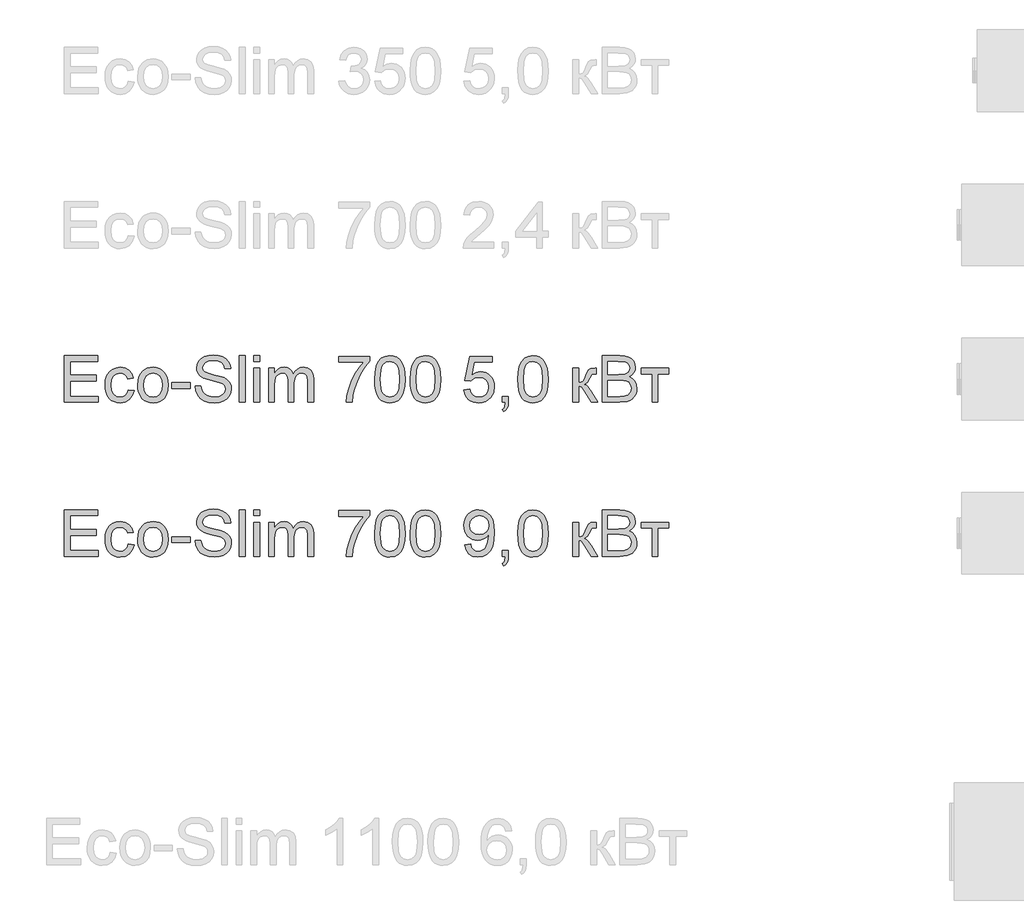
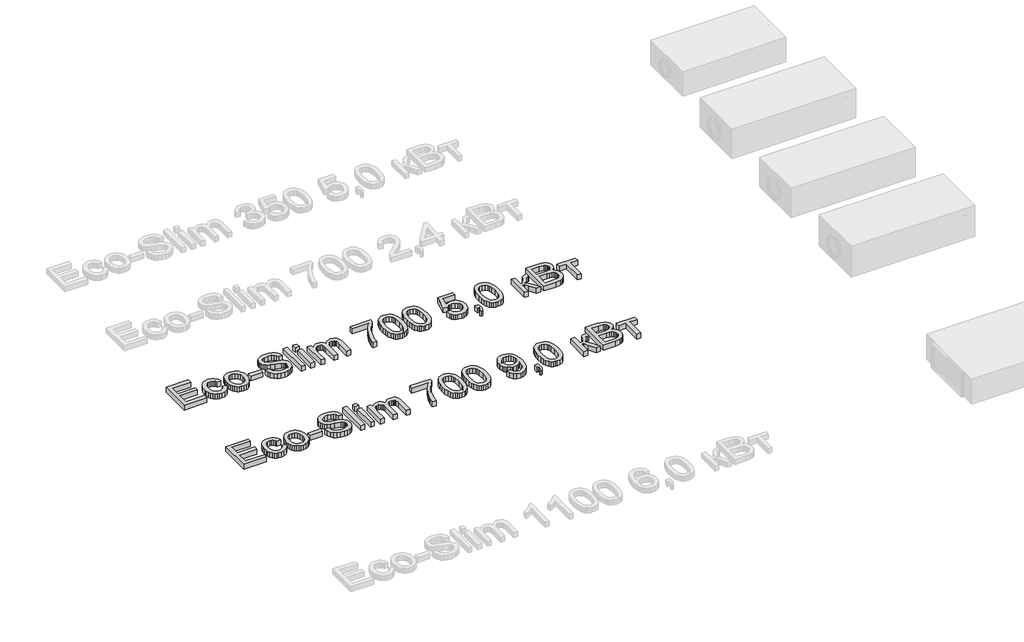
# One storey, part 39 of 74: 2 proxies.
"""IFC4 building model written with IfcOpenShell, lengths in millimetres."""

import ifcopenshell
import ifcopenshell.guid

model = None  # the IFC model being written
_history = None  # IfcOwnerHistory: only IFC2X3 demands one
_inside = {}  # id of a spatial element -> (the spatial element, [elements in it])
_under = {}  # id of a project, library or spatial element -> (it, [spatial elements below it])
_declared = {}  # id of a project -> (the project, [libraries it declares])
_typed = {}  # id of a type object -> (the type object, [elements of that type])
_made_of = {}  # id of a material, layer set ... -> (it, [elements and type objects made of it])


def new_model(schema):
    """Start an empty IFC model of exactly this schema.

    Asked for "IFC4X3", IfcOpenShell would pick the latest addendum, in which some entities
    have other attributes; the version numbers below select the first issue.
    IFC2X3 requires an IfcOwnerHistory on every rooted entity: one is made here for all.
    """
    global model, _history
    if schema == "IFC4X3":
        model = ifcopenshell.file(schema_version=(4, 3, 0, 0))
    else:
        model = ifcopenshell.file(schema=schema)
    _inside.clear()
    _under.clear()
    _declared.clear()
    _typed.clear()
    _made_of.clear()
    _history = None
    if model.schema == "IFC2X3":
        org = make("IfcOrganization", Name="unknown")
        user = make(
            "IfcPersonAndOrganization",
            ThePerson=make("IfcPerson", FamilyName="unknown"),
            TheOrganization=org,
        )
        app = make(
            "IfcApplication",
            ApplicationDeveloper=org,
            Version="unknown",
            ApplicationFullName="unknown",
            ApplicationIdentifier="unknown",
        )
        _history = make(
            "IfcOwnerHistory",
            OwningUser=user,
            OwningApplication=app,
            ChangeAction="ADDED",
            CreationDate=0,
        )
    return model


def make(cls, **values):
    """One entity of the class cls with the attributes given. An attribute that is None is left unset."""
    return model.create_entity(
        cls, **{name: value for name, value in values.items() if value is not None}
    )


def rooted(cls, **values):
    """An entity with a GlobalId (a new one), such as an element, a storey or a relation."""
    return make(cls, GlobalId=ifcopenshell.guid.new(), OwnerHistory=_history, **values)


def si_unit(unit_type, name, prefix=None):
    """IfcSIUnit, for example si_unit("LENGTHUNIT", "METRE", prefix="MILLI")."""
    return make("IfcSIUnit", UnitType=unit_type, Prefix=prefix, Name=name)


def assignment(units):
    """IfcUnitAssignment: the units of a project."""
    return None if units is None else make("IfcUnitAssignment", Units=units)


def point(xyz):
    """IfcCartesianPoint."""
    return None if xyz is None else make("IfcCartesianPoint", Coordinates=xyz)


def direction(xyz):
    """IfcDirection."""
    return None if xyz is None else make("IfcDirection", DirectionRatios=xyz)


def frame(location, z_axis=None, x_axis=None):
    """IfcAxis2Placement3D, a coordinate frame: its origin and axes. An axis left out is left unset."""
    return make(
        "IfcAxis2Placement3D",
        Location=point(location),
        Axis=direction(z_axis),
        RefDirection=direction(x_axis),
    )


def origin():
    """The frame at (0, 0, 0) with its axes left unset."""
    return frame((0.0, 0.0, 0.0))


def origin_with_axes():
    """The frame at (0, 0, 0) with the z axis (0, 0, 1) and the x axis (1, 0, 0) written out."""
    return frame((0.0, 0.0, 0.0), z_axis=(0.0, 0.0, 1.0), x_axis=(1.0, 0.0, 0.0))


def place(relative_to, where):
    """IfcLocalPlacement: puts the frame where relative to a parent placement (None: the world)."""
    return make(
        "IfcLocalPlacement", PlacementRelTo=relative_to, RelativePlacement=where
    )


def context(
    kind, dimensions, precision=None, world=None, true_north=None, identifier=None
):
    """IfcGeometricRepresentationContext, for example the 3D "Model" context."""
    return make(
        "IfcGeometricRepresentationContext",
        ContextIdentifier=identifier,
        ContextType=kind,
        CoordinateSpaceDimension=dimensions,
        Precision=precision,
        WorldCoordinateSystem=world,
        TrueNorth=true_north,
    )


def project(units=None, contexts=None):
    """IfcProject with its units and contexts."""
    return rooted(
        "IfcProject",
        Name="project",
        RepresentationContexts=contexts,
        UnitsInContext=assignment(units),
    )


def spatial(cls, under=None, at=None, **own):
    """A site, building, storey or space (cls), placed at a placement, below another one or the project."""
    s = rooted(cls, ObjectPlacement=at, **own)
    if under is not None:
        _under.setdefault(under.id(), (under, []))[1].append(s)
    return s


def polyline(points):
    """IfcPolyline through the points."""
    return make("IfcPolyline", Points=[point(p) for p in points])


def outline(outer, holes=None, kind="AREA"):
    """IfcArbitraryClosedProfileDef: a profile drawn as a closed curve; with holes, ...WithVoids."""
    if holes is None:
        return make("IfcArbitraryClosedProfileDef", ProfileType=kind, OuterCurve=outer)
    return make(
        "IfcArbitraryProfileDefWithVoids",
        ProfileType=kind,
        OuterCurve=outer,
        InnerCurves=holes,
    )


def extrude(swept, where, along, depth):
    """IfcExtrudedAreaSolid: the profile swept, set in the frame where, extruded along a direction by depth."""
    return make(
        "IfcExtrudedAreaSolid",
        SweptArea=swept,
        Position=where,
        ExtrudedDirection=direction(along),
        Depth=depth,
    )


def shape(context_of_items, identifier, shape_type, items):
    """IfcShapeRepresentation: the items that make up one representation, for example the "Body"."""
    return make(
        "IfcShapeRepresentation",
        ContextOfItems=context_of_items,
        RepresentationIdentifier=identifier,
        RepresentationType=shape_type,
        Items=items,
    )


def made_of(thing, what):
    """Note that an element or type object is made of a material, layer set ...; save() writes the relation."""
    if what is not None:
        _made_of.setdefault(what.id(), (what, []))[1].append(thing)
    return thing


def element(
    cls,
    number,
    at=None,
    inside=None,
    cuts=None,
    type_object=None,
    material=None,
    context=None,
    identifier="Body",
    shape_type=None,
    held_by="IfcProductDefinitionShape",
    body=None,
    shapes=None,
    **own,
):
    """One element of the class cls, such as IfcWall. Its Tag is "e" and its number.

    at: its placement. inside: the storey or other place that contains it. cuts: it is an
    opening in that element (IfcRelVoidsElement). A single representation is given by context,
    identifier, shape_type and body (its items); several are given by shapes. held_by: the class
    of the entity that holds the representations. save() writes the other relations.
    """
    e = rooted(cls, Tag="e%d" % number, ObjectPlacement=at, **own)
    if body is not None:
        shapes = [shape(context, identifier, shape_type, body)]
    if shapes is not None:
        e.Representation = make(held_by, Representations=shapes)
    if inside is not None:
        _inside.setdefault(inside.id(), (inside, []))[1].append(e)
    if cuts is not None:
        rooted(
            "IfcRelVoidsElement", RelatingBuildingElement=cuts, RelatedOpeningElement=e
        )
    if type_object is not None:
        _typed.setdefault(type_object.id(), (type_object, []))[1].append(e)
    return made_of(e, material)


def aggregate(whole, parts):
    """IfcRelAggregates: a whole, such as a stair, and the parts it consists of."""
    return rooted("IfcRelAggregates", RelatingObject=whole, RelatedObjects=parts)


def save(model, path):
    """Write the relations noted so far, then the file.

    IfcRelAggregates (storeys below a building ...), IfcRelContainedInSpatialStructure (elements
    in a storey), IfcRelDefinesByType, IfcRelAssociatesMaterial and IfcRelDeclares: one each for
    every whole, place, type object, material and project.
    """
    for whole, parts in _under.values():
        aggregate(whole, parts)
    for where, things in _inside.values():
        rooted(
            "IfcRelContainedInSpatialStructure",
            RelatedElements=things,
            RelatingStructure=where,
        )
    for kind, things in _typed.values():
        rooted("IfcRelDefinesByType", RelatedObjects=things, RelatingType=kind)
    for what, things in _made_of.values():
        rooted("IfcRelAssociatesMaterial", RelatedObjects=things, RelatingMaterial=what)
    for by, libraries in _declared.values():
        rooted("IfcRelDeclares", RelatingContext=by, RelatedDefinitions=libraries)
    model.write(path)


model = new_model("IFC4")

# Units and contexts
model_context = context("Model", 3, world=origin())
ifc_project = project(units=[si_unit("LENGTHUNIT", "METRE", prefix="MILLI")], contexts=[model_context])

# Site, building, storey
site = spatial("IfcSite", under=ifc_project)
building = spatial("IfcBuilding", under=site)
storey = spatial("IfcBuildingStorey", under=building, Elevation=0.0)

# Proxies
placement = place(None, origin())
element("IfcBuildingElementProxy", 1, Name="Generic Models", at=placement, inside=storey, context=model_context, shape_type="SweptSolid", body=[
    extrude(outline(polyline([(23043.6869869, -7906.2904473), (23043.6869869, -7604.9215169), (23260.2959057, -7604.9215169), (23260.2959057, -7642.5926332), (23081.3581032, -7642.5926332), (23081.3581032, -7732.0615344), (23250.8781266, -7732.0615344), (23250.8781266, -7769.7326507), (23081.3581032, -7769.7326507), (23081.3581032, -7868.619331), (23265.0047952, -7868.619331), (23265.0047952, -7906.2904473), (23043.6869869, -7906.2904473)])), origin_with_axes(), (0.0, 0.0, 1.0), 50.0),
    extrude(outline(polyline([(23458.0692663, -7826.2393252), (23495.7403826, -7830.9482147), (23485.2373516, -7864.4530674), (23465.5004826, -7889.7725458), (23438.3875796, -7905.6926391), (23405.7564466, -7910.9993369), (23384.6285237, -7909.1484306), (23365.6849003, -7903.5957117), (23348.9255761, -7894.3411803), (23334.3505513, -7881.3848363), (23322.5530356, -7864.9704015), (23314.1262386, -7845.3415978), (23309.0701605, -7822.4984252), (23307.3848011, -7796.4408836), (23310.2634777, -7762.9176368), (23318.8995075, -7733.8641562), (23333.4308463, -7710.402482), (23353.9954499, -7693.6546541), (23378.5975583, -7683.6114757), (23405.2414118, -7680.2637495), (23437.0724014, -7684.8622744), (23462.5206384, -7698.6578493), (23480.7767824, -7720.91471), (23491.0314931, -7750.8970926), (23453.3603768, -7755.6059821), (23446.5269687, -7739.170854), (23435.885982, -7727.3894331), (23422.0260278, -7720.2985076), (23405.5357174, -7717.9348658), (23381.1911264, -7722.588573), (23361.8681246, -7736.5496948), (23349.2589692, -7760.5723891), (23345.0559174, -7795.410814), (23349.1669987, -7830.7182885), (23361.5002426, -7854.8237562), (23380.4737565, -7868.7021045), (23404.5056478, -7873.3282206), (23424.0125906, -7870.4403469), (23440.0062603, -7861.7767259), (23451.6405284, -7847.1166284), (23458.0692663, -7826.2393252)])), origin_with_axes(), (0.0, 0.0, 1.0), 50.0),
    extrude(outline(polyline([(23519.2848303, -7795.6315432), (23521.3219768, -7766.9689372), (23527.4334165, -7742.2702598), (23537.6191492, -7721.5355108), (23551.8791751, -7704.7646904), (23566.2357699, -7694.0455287), (23582.0822869, -7686.3889847), (23599.4187259, -7681.7950583), (23618.245087, -7680.2637495), (23639.0281205, -7682.1284514), (23657.8199926, -7687.722557), (23674.6207035, -7697.0460663), (23689.4302531, -7710.0989793), (23701.5174759, -7726.4398377), (23710.1512064, -7745.627183), (23715.3314448, -7767.6610152), (23717.0581909, -7792.5413344), (23714.0047703, -7830.5987268), (23704.8445087, -7859.569434), (23689.8441203, -7881.2652746), (23669.2703197, -7897.4980677), (23644.8337582, -7907.6240196), (23618.245087, -7910.9993369), (23597.1585509, -7909.1415328), (23578.1919348, -7903.5681206), (23561.3452387, -7894.2791002), (23546.6184625, -7881.2744717), (23534.6599984, -7864.7749642), (23526.1182384, -7845.0013069), (23520.9931823, -7821.9534999), (23519.2848303, -7795.6315432)]), holes=[polyline([(23556.9559466, -7795.5579668), (23561.3153482, -7829.6514307), (23574.3935532, -7853.9408394), (23594.0752399, -7868.4813753), (23618.245087, -7873.3282206), (23642.3045695, -7868.4537841), (23661.949468, -7853.8304748), (23675.027673, -7829.2191694), (23679.3870746, -7794.3807444), (23675.0000818, -7761.2805619), (23661.8391034, -7737.322247), (23642.1666137, -7722.7817111), (23618.245087, -7717.9348658), (23594.0752399, -7722.763317), (23574.3935532, -7737.2486706), (23561.3153482, -7761.482897), (23556.9559466, -7795.5579668)])]), origin_with_axes(), (0.0, 0.0, 1.0), 50.0),
    extrude(outline(polyline([(23740.6026386, -7816.8215461), (23740.6026386, -7779.1504298), (23858.324877, -7779.1504298), (23858.324877, -7816.8215461), (23740.6026386, -7816.8215461)])), origin_with_axes(), (0.0, 0.0, 1.0), 50.0),
    extrude(outline(polyline([(23891.2871038, -7802.6948775), (23928.9582201, -7802.6948775), (23933.2808336, -7823.5997719), (23941.098326, -7840.402782), (23953.2936141, -7853.7385043), (23970.7496148, -7864.2415353), (23992.0867705, -7871.0565493), (24015.9255238, -7873.3282206), (24036.9131916, -7871.6083722), (24055.2888973, -7866.4488273), (24070.178921, -7858.281847), (24080.7095431, -7847.5396927), (24086.9727341, -7835.2064488), (24089.0604644, -7822.2661996), (24087.4969659, -7809.6570443), (24082.8064705, -7798.7585402), (24073.2783268, -7789.4603227), (24057.2018836, -7781.6520274), (24002.3506782, -7767.2678414), (23966.3442279, -7757.7488947), (23943.3056179, -7748.6898006), (23924.5528332, -7736.0162659), (23911.2630962, -7720.6571926), (23903.3444362, -7702.9436745), (23900.7048829, -7683.2068055), (23903.9698356, -7661.1430828), (23913.7646937, -7640.5692822), (23929.8319399, -7623.1316757), (23951.9140566, -7610.476535), (23978.4199544, -7602.7786043), (24007.7585435, -7600.2126274), (24039.5435479, -7602.8981659), (24067.3554267, -7610.9547816), (24090.2008986, -7624.2169275), (24107.0866822, -7642.5190568), (24117.7736541, -7664.7207352), (24122.0226912, -7689.6815286), (24084.3515749, -7689.6815286), (24077.4353934, -7667.2039387), (24063.0144192, -7650.9803427), (24040.481647, -7641.1578934), (24009.2300715, -7637.8837437), (23977.242732, -7641.1211052), (23955.298571, -7650.8331899), (23942.6066421, -7665.1254054), (23938.3759992, -7682.1031595), (23941.3742375, -7696.579316), (23950.3689522, -7708.2227811), (23971.6325316, -7718.6338416), (24011.8788218, -7729.2656313), (24053.4126991, -7739.363992), (24078.5390394, -7748.1747658), (24100.0141508, -7761.8415819), (24114.9961451, -7778.7089714), (24123.7977218, -7798.5929933), (24126.7315807, -7821.3097065), (24123.3562634, -7844.5322574), (24113.2303115, -7866.3752509), (24096.7675922, -7885.1740208), (24074.3819728, -7899.2639012), (24047.4622078, -7908.065478), (24017.3970518, -7910.9993369), (23980.4892906, -7907.8355517), (23950.1114348, -7898.3441962), (23925.9139966, -7882.4884823), (23907.547488, -7860.2316215), (23895.7568701, -7833.1187185), (23891.2871038, -7802.6948775)])), origin_with_axes(), (0.0, 0.0, 1.0), 50.0),
    extrude(outline(polyline([(24178.5293657, -7906.2904473), (24178.5293657, -7604.9215169), (24216.200482, -7604.9215169), (24216.200482, -7906.2904473), (24178.5293657, -7906.2904473)])), origin_with_axes(), (0.0, 0.0, 1.0), 50.0),
    extrude(outline(polyline([(24272.7071564, -7642.5926332), (24272.7071564, -7604.9215169), (24310.3782727, -7604.9215169), (24310.3782727, -7642.5926332), (24272.7071564, -7642.5926332)])), origin_with_axes(), (0.0, 0.0, 1.0), 50.0),
    extrude(outline(polyline([(24272.7071564, -7906.2904473), (24272.7071564, -7684.972639), (24310.3782727, -7684.972639), (24310.3782727, -7906.2904473), (24272.7071564, -7906.2904473)])), origin_with_axes(), (0.0, 0.0, 1.0), 50.0),
    extrude(outline(polyline([(24366.8849472, -7906.2904473), (24366.8849472, -7684.972639), (24404.5560635, -7684.972639), (24404.5560635, -7721.3929566), (24415.8868289, -7704.6635228), (24430.4549559, -7691.5577268), (24447.7638038, -7683.0872438), (24467.3167319, -7680.2637495), (24488.2676115, -7683.1424261), (24505.0614246, -7691.778456), (24517.6062006, -7705.6016219), (24525.8099691, -7724.0417069), (24539.5411646, -7704.8888506), (24555.2037405, -7691.2082389), (24572.7976969, -7682.9998718), (24592.3230338, -7680.2637495), (24620.6407504, -7684.8162892), (24641.582433, -7698.4739083), (24654.5226822, -7721.6044887), (24658.8360986, -7754.5759125), (24658.8360986, -7906.2904473), (24621.1649822, -7906.2904473), (24621.1649822, -7770.7627203), (24617.6701033, -7739.3088097), (24612.7588787, -7730.6359917), (24605.0149627, -7723.8209777), (24595.0545576, -7719.4063938), (24583.4938659, -7717.9348658), (24563.0856123, -7721.7056563), (24546.448149, -7733.0180276), (24535.384098, -7752.6445321), (24531.696081, -7781.3577218), (24531.696081, -7906.2904473), (24494.0249647, -7906.2904473), (24494.0249647, -7766.5688656), (24491.8452639, -7745.2684981), (24485.3061614, -7730.0749717), (24473.800652, -7720.9698923), (24456.7217304, -7717.9348658), (24442.2087857, -7719.9582168), (24428.8362752, -7726.0282697), (24417.7998153, -7735.9978718), (24410.2950226, -7749.7198702), (24405.9908033, -7768.7577634), (24404.5560635, -7794.67505), (24404.5560635, -7906.2904473), (24366.8849472, -7906.2904473)])), origin_with_axes(), (0.0, 0.0, 1.0), 50.0),
    extrude(outline(polyline([(24823.6472324, -7647.3015227), (24823.6472324, -7609.6304064), (25021.420593, -7609.6304064), (25021.420593, -7640.0910356), (24993.2316351, -7675.7663921), (24965.3185887, -7721.1354392), (24940.6980862, -7772.0595044), (24922.3867599, -7824.3999152), (24913.4104392, -7863.5609536), (24908.4072441, -7906.2904473), (24870.7361278, -7906.2904473), (24874.8104209, -7867.4605027), (24885.708925, -7821.3097065), (24903.1373345, -7772.3905981), (24926.8013438, -7725.2557175), (24954.4292817, -7682.6457854), (24983.7494767, -7647.3015227), (24823.6472324, -7647.3015227)])), origin_with_axes(), (0.0, 0.0, 1.0), 50.0),
    extrude(outline(polyline([(25054.3828198, -7758.0340033), (25057.1511318, -7709.7954767), (25065.4560678, -7671.324217), (25079.2148544, -7642.0316132), (25098.3447182, -7621.3290539), (25122.9836148, -7609.0234011), (25153.2695001, -7604.9215169), (25176.482854, -7607.3495381), (25197.2681867, -7614.6336016), (25214.650611, -7626.4885989), (25227.6552395, -7642.6294214), (25237.4776888, -7662.9181134), (25245.3135753, -7687.2167192), (25250.4455291, -7718.0728216), (25252.1561804, -7758.0340033), (25249.4154595, -7805.9966184), (25241.1932969, -7844.3759076), (25227.5172837, -7873.6961026), (25208.4150111, -7894.4814353), (25183.7209322, -7906.8698615), (25153.2695001, -7910.9993369), (25132.5209555, -7909.2059122), (25114.1268558, -7903.825638), (25098.0872008, -7894.8585143), (25084.4019906, -7882.3045413), (25071.2686033, -7859.6108207), (25061.8876125, -7831.3344908), (25056.2590179, -7797.4755517), (25054.3828198, -7758.0340033)]), holes=[polyline([(25092.0539361, -7757.9604269), (25096.46852, -7817.2170193), (25101.9867499, -7837.4850179), (25109.7122718, -7851.5128183), (25129.4307468, -7867.87437), (25153.2695001, -7873.3282206), (25177.1082534, -7867.8559759), (25196.8267283, -7851.4392419), (25204.5522502, -7837.3884489), (25210.0704801, -7817.1250488), (25214.4850641, -7757.9604269), (25210.2176329, -7700.0374067), (25204.883344, -7679.8360867), (25197.4153395, -7665.4748933), (25177.7336528, -7648.3131982), (25152.8280417, -7642.5926332), (25129.2468058, -7647.6326165), (25110.300883, -7662.7525665), (25102.3178437, -7678.3875513), (25096.6156728, -7699.4671897), (25092.0539361, -7757.9604269)])]), origin_with_axes(), (0.0, 0.0, 1.0), 50.0),
    extrude(outline(polyline([(25285.1184071, -7758.0340033), (25287.8867192, -7709.7954767), (25296.1916552, -7671.324217), (25309.9504418, -7642.0316132), (25329.0803056, -7621.3290539), (25353.7192022, -7609.0234011), (25384.0050874, -7604.9215169), (25407.2184413, -7607.3495381), (25428.0037741, -7614.6336016), (25445.3861983, -7626.4885989), (25458.3908269, -7642.6294214), (25468.2132761, -7662.9181134), (25476.0491626, -7687.2167192), (25481.1811165, -7718.0728216), (25482.8917678, -7758.0340033), (25480.1510469, -7805.9966184), (25471.9288843, -7844.3759076), (25458.2528711, -7873.6961026), (25439.1505985, -7894.4814353), (25414.4565196, -7906.8698615), (25384.0050874, -7910.9993369), (25363.2565429, -7909.2059122), (25344.8624432, -7903.825638), (25328.8227882, -7894.8585143), (25315.1375779, -7882.3045413), (25302.0041907, -7859.6108207), (25292.6231998, -7831.3344908), (25286.9946053, -7797.4755517), (25285.1184071, -7758.0340033)]), holes=[polyline([(25322.7895234, -7757.9604269), (25327.2041074, -7817.2170193), (25332.7223373, -7837.4850179), (25340.4478592, -7851.5128183), (25360.1663342, -7867.87437), (25384.0050874, -7873.3282206), (25407.8438407, -7867.8559759), (25427.5623157, -7851.4392419), (25435.2878376, -7837.3884489), (25440.8060675, -7817.1250488), (25445.2206514, -7757.9604269), (25440.9532203, -7700.0374067), (25435.6189314, -7679.8360867), (25428.1509269, -7665.4748933), (25408.4692401, -7648.3131982), (25383.5636291, -7642.5926332), (25359.9823932, -7647.6326165), (25341.0364704, -7662.7525665), (25333.0534311, -7678.3875513), (25327.3512602, -7699.4671897), (25322.7895234, -7757.9604269)])]), origin_with_axes(), (0.0, 0.0, 1.0), 50.0),
    extrude(outline(polyline([(25633.576233, -7826.2393252), (25671.2473493, -7821.5304357), (25678.1635308, -7844.1459813), (25690.2300602, -7860.3419861), (25707.3917553, -7870.081662), (25729.5934337, -7873.3282206), (25756.5959722, -7868.8124691), (25776.8294819, -7855.2652146), (25789.4662284, -7834.2499556), (25793.6784773, -7807.3301906), (25789.7329429, -7781.9831212), (25777.8963397, -7762.59574), (25758.0766972, -7750.2900873), (25730.1820449, -7746.188203), (25711.9075068, -7747.8252779), (25697.1094535, -7752.7365026), (25675.9562388, -7769.7326507), (25638.2851225, -7765.0237612), (25671.2473493, -7609.6304064), (25817.222925, -7609.6304064), (25817.222925, -7647.3015227), (25701.7079785, -7647.3015227), (25685.5947471, -7730.2957008), (25712.505315, -7713.9617403), (25740.70347, -7708.5170867), (25759.0492852, -7710.2047454), (25775.9005799, -7715.2677213), (25791.2573539, -7723.7060146), (25805.1196073, -7735.5196252), (25816.5952263, -7749.9865846), (25824.792097, -7766.3849246), (25829.7102194, -7784.714645), (25831.3495936, -7804.9757459), (25825.4450876, -7842.6468622), (25818.064455, -7859.4406753), (25807.7315695, -7874.873325), (25792.0781906, -7890.6784552), (25773.8128495, -7901.9678339), (25752.9355463, -7908.7414611), (25729.4462809, -7910.9993369), (25692.4465493, -7905.1959984), (25676.7678785, -7897.9418253), (25662.9700044, -7887.785983), (25651.4897869, -7875.2343092), (25642.7640858, -7860.7926416), (25633.576233, -7826.2393252)])), origin_with_axes(), (0.0, 0.0, 1.0), 50.0),
    extrude(outline(polyline([(25883.1473785, -7906.2904473), (25883.1473785, -7868.619331), (25920.8184948, -7868.619331), (25920.8184948, -7906.2904473), (25919.1262376, -7927.8391352), (25914.0494661, -7944.8076922), (25905.2938746, -7957.8215178), (25892.5651576, -7967.5060113), (25883.1473785, -7953.3793427), (25891.3143588, -7946.5551317), (25896.9797415, -7937.1189585), (25901.9093603, -7906.2904473), (25883.1473785, -7906.2904473)])), origin_with_axes(), (0.0, 0.0, 1.0), 50.0),
    extrude(outline(polyline([(25982.0340588, -7758.0340033), (25984.8023708, -7709.7954767), (25993.1073069, -7671.324217), (26006.8660935, -7642.0316132), (26025.9959572, -7621.3290539), (26050.6348539, -7609.0234011), (26080.9207391, -7604.9215169), (26104.134093, -7607.3495381), (26124.9194257, -7614.6336016), (26142.30185, -7626.4885989), (26155.3064785, -7642.6294214), (26165.1289278, -7662.9181134), (26172.9648143, -7687.2167192), (26178.0967681, -7718.0728216), (26179.8074194, -7758.0340033), (26177.0666985, -7805.9966184), (26168.844536, -7844.3759076), (26155.1685228, -7873.6961026), (26136.0662502, -7894.4814353), (26111.3721713, -7906.8698615), (26080.9207391, -7910.9993369), (26060.1721946, -7909.2059122), (26041.7780948, -7903.825638), (26025.7384398, -7894.8585143), (26012.0532296, -7882.3045413), (25998.9198424, -7859.6108207), (25989.5388515, -7831.3344908), (25983.910257, -7797.4755517), (25982.0340588, -7758.0340033)]), holes=[polyline([(26019.7051751, -7757.9604269), (26024.1197591, -7817.2170193), (26029.637989, -7837.4850179), (26037.3635109, -7851.5128183), (26057.0819858, -7867.87437), (26080.9207391, -7873.3282206), (26104.7594924, -7867.8559759), (26124.4779673, -7851.4392419), (26132.2034892, -7837.3884489), (26137.7217192, -7817.1250488), (26142.1363031, -7757.9604269), (26137.868872, -7700.0374067), (26132.534583, -7679.8360867), (26125.0665785, -7665.4748933), (26105.3848918, -7648.3131982), (26080.4792807, -7642.5926332), (26056.8980448, -7647.6326165), (26037.9521221, -7662.7525665), (26029.9690828, -7678.3875513), (26024.2669119, -7699.4671897), (26019.7051751, -7757.9604269)])]), origin_with_axes(), (0.0, 0.0, 1.0), 50.0),
    extrude(outline(polyline([(26339.9096637, -7684.972639), (26377.58078, -7684.972639), (26377.58078, -7779.1504298), (26392.9030651, -7777.4581726), (26402.8174849, -7772.3814011), (26411.5914705, -7759.1376493), (26423.492453, -7732.9444512), (26440.6725422, -7698.9153667), (26455.8292804, -7687.8421186), (26483.3836418, -7684.972639), (26490.5941289, -7684.972639), (26490.5941289, -7722.8644845), (26480.4405859, -7722.6437553), (26462.0464861, -7726.6168809), (26449.0970399, -7751.4121274), (26433.9035135, -7778.2307248), (26412.603146, -7791.364112), (26424.5409167, -7796.6662113), (26436.3683228, -7806.0242096), (26459.6920413, -7836.907903), (26500.011908, -7906.2904473), (26457.1904438, -7906.2904473), (26417.6799175, -7838.379431), (26397.8142898, -7809.6478472), (26388.5252694, -7804.4331199), (26377.58078, -7802.6948775), (26377.58078, -7906.2904473), (26339.9096637, -7906.2904473), (26339.9096637, -7684.972639)])), origin_with_axes(), (0.0, 0.0, 1.0), 50.0),
    extrude(outline(polyline([(26528.2652452, -7906.2904473), (26528.2652452, -7604.9215169), (26643.2651569, -7604.9215169), (26674.8938115, -7607.1380059), (26699.5878904, -7613.787473), (26718.5154191, -7625.035465), (26732.8444228, -7641.0475288), (26741.8667287, -7659.883087), (26744.874164, -7679.6015619), (26742.3449753, -7697.7473413), (26734.7574091, -7714.8078689), (26722.0562833, -7729.7346808), (26704.1864153, -7741.4793135), (26725.5327681, -7752.626138), (26741.3057087, -7769.5854979), (26751.0453845, -7791.2353533), (26754.2919431, -7816.4536641), (26752.0754541, -7837.4689231), (26745.425987, -7856.9574718), (26735.5023702, -7873.5305557), (26723.4634319, -7885.7994202), (26708.7205609, -7894.6837704), (26690.6851461, -7901.1033112), (26642.3822401, -7906.2904473), (26528.2652452, -7906.2904473)]), holes=[polyline([(26565.9363616, -7868.619331), (26643.1915805, -7868.619331), (26671.1506122, -7867.1478031), (26694.8054245, -7858.9440346), (26710.4771975, -7842.2054038), (26715.0849194, -7830.3779976), (26716.6208268, -7816.8215461), (26714.818205, -7801.0761967), (26709.4103397, -7787.5381393), (26699.9649694, -7776.9523349), (26686.049833, -7770.0637445), (26666.3405551, -7766.283757), (26639.5127606, -7765.0237612), (26565.9363616, -7765.0237612), (26565.9363616, -7868.619331)]), polyline([(26565.9363616, -7727.3526449), (26634.7302946, -7727.3526449), (26674.9030085, -7724.1152833), (26688.9652978, -7718.5326741), (26699.0728556, -7710.1725557), (26705.1704997, -7699.163687), (26707.2030477, -7685.6348266), (26705.3084554, -7672.5014394), (26699.6246786, -7661.0603094), (26690.4092346, -7652.1299739), (26677.9196409, -7646.5289705), (26629.5063703, -7642.5926332), (26565.9363616, -7642.5926332), (26565.9363616, -7727.3526449)])]), origin_with_axes(), (0.0, 0.0, 1.0), 50.0),
    extrude(outline(polyline([(26782.5452803, -7684.972639), (26961.4830828, -7684.972639), (26961.4830828, -7722.6437553), (26890.8497397, -7722.6437553), (26890.8497397, -7906.2904473), (26853.1786234, -7906.2904473), (26853.1786234, -7722.6437553), (26782.5452803, -7722.6437553), (26782.5452803, -7684.972639)])), origin_with_axes(), (0.0, 0.0, 1.0), 50.0),
])
element("IfcBuildingElementProxy", 2, Name="Generic Models", at=placement, inside=storey, context=model_context, shape_type="SweptSolid", body=[
    extrude(outline(polyline([(23043.6869869, -8906.2904473), (23043.6869869, -8604.9215169), (23260.2959057, -8604.9215169), (23260.2959057, -8642.5926332), (23081.3581032, -8642.5926332), (23081.3581032, -8732.0615344), (23250.8781266, -8732.0615344), (23250.8781266, -8769.7326507), (23081.3581032, -8769.7326507), (23081.3581032, -8868.619331), (23265.0047952, -8868.619331), (23265.0047952, -8906.2904473), (23043.6869869, -8906.2904473)])), origin_with_axes(), (0.0, 0.0, 1.0), 50.0),
    extrude(outline(polyline([(23458.0692663, -8826.2393252), (23495.7403826, -8830.9482147), (23485.2373516, -8864.4530674), (23465.5004826, -8889.7725458), (23438.3875796, -8905.6926391), (23405.7564466, -8910.9993369), (23384.6285237, -8909.1484306), (23365.6849003, -8903.5957117), (23348.9255761, -8894.3411803), (23334.3505513, -8881.3848363), (23322.5530356, -8864.9704015), (23314.1262386, -8845.3415978), (23309.0701605, -8822.4984252), (23307.3848011, -8796.4408836), (23310.2634777, -8762.9176368), (23318.8995075, -8733.8641562), (23333.4308463, -8710.402482), (23353.9954499, -8693.6546541), (23378.5975583, -8683.6114757), (23405.2414118, -8680.2637495), (23437.0724014, -8684.8622744), (23462.5206384, -8698.6578493), (23480.7767824, -8720.91471), (23491.0314931, -8750.8970926), (23453.3603768, -8755.6059821), (23446.5269687, -8739.170854), (23435.885982, -8727.3894331), (23422.0260278, -8720.2985076), (23405.5357174, -8717.9348658), (23381.1911264, -8722.588573), (23361.8681246, -8736.5496948), (23349.2589692, -8760.5723891), (23345.0559174, -8795.410814), (23349.1669987, -8830.7182885), (23361.5002426, -8854.8237562), (23380.4737565, -8868.7021045), (23404.5056478, -8873.3282206), (23424.0125906, -8870.4403469), (23440.0062603, -8861.7767259), (23451.6405284, -8847.1166284), (23458.0692663, -8826.2393252)])), origin_with_axes(), (0.0, 0.0, 1.0), 50.0),
    extrude(outline(polyline([(23519.2848303, -8795.6315432), (23521.3219768, -8766.9689372), (23527.4334165, -8742.2702598), (23537.6191492, -8721.5355108), (23551.8791751, -8704.7646904), (23566.2357699, -8694.0455287), (23582.0822869, -8686.3889847), (23599.4187259, -8681.7950583), (23618.245087, -8680.2637495), (23639.0281205, -8682.1284514), (23657.8199926, -8687.722557), (23674.6207035, -8697.0460663), (23689.4302531, -8710.0989793), (23701.5174759, -8726.4398377), (23710.1512064, -8745.627183), (23715.3314448, -8767.6610152), (23717.0581909, -8792.5413344), (23714.0047703, -8830.5987268), (23704.8445087, -8859.569434), (23689.8441203, -8881.2652746), (23669.2703197, -8897.4980677), (23644.8337582, -8907.6240196), (23618.245087, -8910.9993369), (23597.1585509, -8909.1415328), (23578.1919348, -8903.5681206), (23561.3452387, -8894.2791002), (23546.6184625, -8881.2744717), (23534.6599984, -8864.7749642), (23526.1182384, -8845.0013069), (23520.9931823, -8821.9534999), (23519.2848303, -8795.6315432)]), holes=[polyline([(23556.9559466, -8795.5579668), (23561.3153482, -8829.6514307), (23574.3935532, -8853.9408394), (23594.0752399, -8868.4813753), (23618.245087, -8873.3282206), (23642.3045695, -8868.4537841), (23661.949468, -8853.8304748), (23675.027673, -8829.2191694), (23679.3870746, -8794.3807444), (23675.0000818, -8761.2805619), (23661.8391034, -8737.322247), (23642.1666137, -8722.7817111), (23618.245087, -8717.9348658), (23594.0752399, -8722.763317), (23574.3935532, -8737.2486706), (23561.3153482, -8761.482897), (23556.9559466, -8795.5579668)])]), origin_with_axes(), (0.0, 0.0, 1.0), 50.0),
    extrude(outline(polyline([(23740.6026386, -8816.8215461), (23740.6026386, -8779.1504298), (23858.324877, -8779.1504298), (23858.324877, -8816.8215461), (23740.6026386, -8816.8215461)])), origin_with_axes(), (0.0, 0.0, 1.0), 50.0),
    extrude(outline(polyline([(23891.2871038, -8802.6948775), (23928.9582201, -8802.6948775), (23933.2808336, -8823.5997719), (23941.098326, -8840.402782), (23953.2936141, -8853.7385043), (23970.7496148, -8864.2415353), (23992.0867705, -8871.0565493), (24015.9255238, -8873.3282206), (24036.9131916, -8871.6083722), (24055.2888973, -8866.4488273), (24070.178921, -8858.281847), (24080.7095431, -8847.5396927), (24086.9727341, -8835.2064488), (24089.0604644, -8822.2661996), (24087.4969659, -8809.6570443), (24082.8064705, -8798.7585402), (24073.2783268, -8789.4603227), (24057.2018836, -8781.6520274), (24002.3506782, -8767.2678414), (23966.3442279, -8757.7488947), (23943.3056179, -8748.6898006), (23924.5528332, -8736.0162659), (23911.2630962, -8720.6571926), (23903.3444362, -8702.9436745), (23900.7048829, -8683.2068055), (23903.9698356, -8661.1430828), (23913.7646937, -8640.5692822), (23929.8319399, -8623.1316757), (23951.9140566, -8610.476535), (23978.4199544, -8602.7786043), (24007.7585435, -8600.2126274), (24039.5435479, -8602.8981659), (24067.3554267, -8610.9547816), (24090.2008986, -8624.2169275), (24107.0866822, -8642.5190568), (24117.7736541, -8664.7207352), (24122.0226912, -8689.6815286), (24084.3515749, -8689.6815286), (24077.4353934, -8667.2039387), (24063.0144192, -8650.9803427), (24040.481647, -8641.1578934), (24009.2300715, -8637.8837437), (23977.242732, -8641.1211052), (23955.298571, -8650.8331899), (23942.6066421, -8665.1254054), (23938.3759992, -8682.1031595), (23941.3742375, -8696.579316), (23950.3689522, -8708.2227811), (23971.6325316, -8718.6338416), (24011.8788218, -8729.2656313), (24053.4126991, -8739.363992), (24078.5390394, -8748.1747658), (24100.0141508, -8761.8415819), (24114.9961451, -8778.7089714), (24123.7977218, -8798.5929933), (24126.7315807, -8821.3097065), (24123.3562634, -8844.5322574), (24113.2303115, -8866.3752509), (24096.7675922, -8885.1740208), (24074.3819728, -8899.2639012), (24047.4622078, -8908.065478), (24017.3970518, -8910.9993369), (23980.4892906, -8907.8355517), (23950.1114348, -8898.3441962), (23925.9139966, -8882.4884823), (23907.547488, -8860.2316215), (23895.7568701, -8833.1187185), (23891.2871038, -8802.6948775)])), origin_with_axes(), (0.0, 0.0, 1.0), 50.0),
    extrude(outline(polyline([(24178.5293657, -8906.2904473), (24178.5293657, -8604.9215169), (24216.200482, -8604.9215169), (24216.200482, -8906.2904473), (24178.5293657, -8906.2904473)])), origin_with_axes(), (0.0, 0.0, 1.0), 50.0),
    extrude(outline(polyline([(24272.7071564, -8642.5926332), (24272.7071564, -8604.9215169), (24310.3782727, -8604.9215169), (24310.3782727, -8642.5926332), (24272.7071564, -8642.5926332)])), origin_with_axes(), (0.0, 0.0, 1.0), 50.0),
    extrude(outline(polyline([(24272.7071564, -8906.2904473), (24272.7071564, -8684.972639), (24310.3782727, -8684.972639), (24310.3782727, -8906.2904473), (24272.7071564, -8906.2904473)])), origin_with_axes(), (0.0, 0.0, 1.0), 50.0),
    extrude(outline(polyline([(24366.8849472, -8906.2904473), (24366.8849472, -8684.972639), (24404.5560635, -8684.972639), (24404.5560635, -8721.3929566), (24415.8868289, -8704.6635228), (24430.4549559, -8691.5577268), (24447.7638038, -8683.0872438), (24467.3167319, -8680.2637495), (24488.2676115, -8683.1424261), (24505.0614246, -8691.778456), (24517.6062006, -8705.6016219), (24525.8099691, -8724.0417069), (24539.5411646, -8704.8888506), (24555.2037405, -8691.2082389), (24572.7976969, -8682.9998718), (24592.3230338, -8680.2637495), (24620.6407504, -8684.8162892), (24641.582433, -8698.4739083), (24654.5226822, -8721.6044887), (24658.8360986, -8754.5759125), (24658.8360986, -8906.2904473), (24621.1649822, -8906.2904473), (24621.1649822, -8770.7627203), (24617.6701033, -8739.3088097), (24612.7588787, -8730.6359917), (24605.0149627, -8723.8209777), (24595.0545576, -8719.4063938), (24583.4938659, -8717.9348658), (24563.0856123, -8721.7056563), (24546.448149, -8733.0180276), (24535.384098, -8752.6445321), (24531.696081, -8781.3577218), (24531.696081, -8906.2904473), (24494.0249647, -8906.2904473), (24494.0249647, -8766.5688656), (24491.8452639, -8745.2684981), (24485.3061614, -8730.0749717), (24473.800652, -8720.9698923), (24456.7217304, -8717.9348658), (24442.2087857, -8719.9582168), (24428.8362752, -8726.0282697), (24417.7998153, -8735.9978718), (24410.2950226, -8749.7198702), (24405.9908033, -8768.7577634), (24404.5560635, -8794.67505), (24404.5560635, -8906.2904473), (24366.8849472, -8906.2904473)])), origin_with_axes(), (0.0, 0.0, 1.0), 50.0),
    extrude(outline(polyline([(24823.6472324, -8647.3015227), (24823.6472324, -8609.6304064), (25021.420593, -8609.6304064), (25021.420593, -8640.0910356), (24993.2316351, -8675.7663921), (24965.3185887, -8721.1354392), (24940.6980862, -8772.0595044), (24922.3867599, -8824.3999152), (24913.4104392, -8863.5609536), (24908.4072441, -8906.2904473), (24870.7361278, -8906.2904473), (24874.8104209, -8867.4605027), (24885.708925, -8821.3097065), (24903.1373345, -8772.3905981), (24926.8013438, -8725.2557175), (24954.4292817, -8682.6457854), (24983.7494767, -8647.3015227), (24823.6472324, -8647.3015227)])), origin_with_axes(), (0.0, 0.0, 1.0), 50.0),
    extrude(outline(polyline([(25054.3828198, -8758.0340033), (25057.1511318, -8709.7954767), (25065.4560678, -8671.324217), (25079.2148544, -8642.0316132), (25098.3447182, -8621.3290539), (25122.9836148, -8609.0234011), (25153.2695001, -8604.9215169), (25176.482854, -8607.3495381), (25197.2681867, -8614.6336016), (25214.650611, -8626.4885989), (25227.6552395, -8642.6294214), (25237.4776888, -8662.9181134), (25245.3135753, -8687.2167192), (25250.4455291, -8718.0728216), (25252.1561804, -8758.0340033), (25249.4154595, -8805.9966184), (25241.1932969, -8844.3759076), (25227.5172837, -8873.6961026), (25208.4150111, -8894.4814353), (25183.7209322, -8906.8698615), (25153.2695001, -8910.9993369), (25132.5209555, -8909.2059122), (25114.1268558, -8903.825638), (25098.0872008, -8894.8585143), (25084.4019906, -8882.3045413), (25071.2686033, -8859.6108207), (25061.8876125, -8831.3344908), (25056.2590179, -8797.4755517), (25054.3828198, -8758.0340033)]), holes=[polyline([(25092.0539361, -8757.9604269), (25096.46852, -8817.2170193), (25101.9867499, -8837.4850179), (25109.7122718, -8851.5128183), (25129.4307468, -8867.87437), (25153.2695001, -8873.3282206), (25177.1082534, -8867.8559759), (25196.8267283, -8851.4392419), (25204.5522502, -8837.3884489), (25210.0704801, -8817.1250488), (25214.4850641, -8757.9604269), (25210.2176329, -8700.0374067), (25204.883344, -8679.8360867), (25197.4153395, -8665.4748933), (25177.7336528, -8648.3131982), (25152.8280417, -8642.5926332), (25129.2468058, -8647.6326165), (25110.300883, -8662.7525665), (25102.3178437, -8678.3875513), (25096.6156728, -8699.4671897), (25092.0539361, -8757.9604269)])]), origin_with_axes(), (0.0, 0.0, 1.0), 50.0),
    extrude(outline(polyline([(25285.1184071, -8758.0340033), (25287.8867192, -8709.7954767), (25296.1916552, -8671.324217), (25309.9504418, -8642.0316132), (25329.0803056, -8621.3290539), (25353.7192022, -8609.0234011), (25384.0050874, -8604.9215169), (25407.2184413, -8607.3495381), (25428.0037741, -8614.6336016), (25445.3861983, -8626.4885989), (25458.3908269, -8642.6294214), (25468.2132761, -8662.9181134), (25476.0491626, -8687.2167192), (25481.1811165, -8718.0728216), (25482.8917678, -8758.0340033), (25480.1510469, -8805.9966184), (25471.9288843, -8844.3759076), (25458.2528711, -8873.6961026), (25439.1505985, -8894.4814353), (25414.4565196, -8906.8698615), (25384.0050874, -8910.9993369), (25363.2565429, -8909.2059122), (25344.8624432, -8903.825638), (25328.8227882, -8894.8585143), (25315.1375779, -8882.3045413), (25302.0041907, -8859.6108207), (25292.6231998, -8831.3344908), (25286.9946053, -8797.4755517), (25285.1184071, -8758.0340033)]), holes=[polyline([(25322.7895234, -8757.9604269), (25327.2041074, -8817.2170193), (25332.7223373, -8837.4850179), (25340.4478592, -8851.5128183), (25360.1663342, -8867.87437), (25384.0050874, -8873.3282206), (25407.8438407, -8867.8559759), (25427.5623157, -8851.4392419), (25435.2878376, -8837.3884489), (25440.8060675, -8817.1250488), (25445.2206514, -8757.9604269), (25440.9532203, -8700.0374067), (25435.6189314, -8679.8360867), (25428.1509269, -8665.4748933), (25408.4692401, -8648.3131982), (25383.5636291, -8642.5926332), (25359.9823932, -8647.6326165), (25341.0364704, -8662.7525665), (25333.0534311, -8678.3875513), (25327.3512602, -8699.4671897), (25322.7895234, -8757.9604269)])]), origin_with_axes(), (0.0, 0.0, 1.0), 50.0),
    extrude(outline(polyline([(25638.2851225, -8830.9482147), (25675.9562388, -8826.2393252), (25682.3941737, -8847.6224662), (25692.8788106, -8862.1813961), (25707.152632, -8870.5415145), (25724.9581206, -8873.3282206), (25740.9333962, -8871.5347958), (25755.455538, -8866.1545217), (25767.5220674, -8857.7760092), (25776.1305061, -8846.9878697), (25788.4545529, -8814.2463721), (25793.8992065, -8770.5419911), (25793.6784773, -8763.1843512), (25780.6278635, -8779.1136416), (25763.5489419, -8791.731994), (25743.6741171, -8799.9541566), (25722.2357938, -8802.6948775), (25704.340634, -8801.0210144), (25687.8848125, -8795.9994252), (25672.8683293, -8787.6301098), (25659.2911844, -8775.9130682), (25648.0408932, -8761.4599044), (25640.0049708, -8744.882222), (25635.1834174, -8726.180021), (25633.576233, -8705.3533016), (25635.2615924, -8683.8322049), (25640.3176705, -8664.5184001), (25648.7444675, -8647.4118873), (25660.5419832, -8632.5126665), (25674.8778847, -8620.4415386), (25690.919839, -8611.8193043), (25708.667846, -8606.6459637), (25728.1219057, -8604.9215169), (25756.2188931, -8608.8578542), (25781.7958888, -8620.6668663), (25803.1882269, -8639.7599418), (25818.7312411, -8665.5484697), (25828.1950055, -8701.196235), (25831.3495936, -8749.867023), (25828.2042025, -8801.4716699), (25818.7680293, -8841.3592752), (25803.1238475, -8871.3324607), (25781.3544304, -8893.1938483), (25754.3978772, -8906.5479647), (25723.192287, -8910.9993369), (25690.9842183, -8905.7478214), (25665.287661, -8889.993275), (25647.3166255, -8864.7289789), (25638.2851225, -8830.9482147)]), holes=[polyline([(25793.6784773, -8704.4703848), (25789.6133812, -8678.9393743), (25777.4180931, -8659.2944758), (25758.4905644, -8646.7680938), (25734.2287469, -8642.5926332), (25709.0656184, -8647.0899906), (25688.905685, -8660.5820628), (25675.6619332, -8681.2294397), (25671.2473493, -8707.1927116), (25675.4228099, -8730.4704448), (25687.9491919, -8748.947318), (25707.6124845, -8761.0046504), (25733.1986773, -8765.0237612), (25757.2673568, -8761.0046504), (25776.6455409, -8748.947318), (25789.4202432, -8729.7898631), (25793.6784773, -8704.4703848)])]), origin_with_axes(), (0.0, 0.0, 1.0), 50.0),
    extrude(outline(polyline([(25883.1473785, -8906.2904473), (25883.1473785, -8868.619331), (25920.8184948, -8868.619331), (25920.8184948, -8906.2904473), (25919.1262376, -8927.8391352), (25914.0494661, -8944.8076922), (25905.2938746, -8957.8215178), (25892.5651576, -8967.5060113), (25883.1473785, -8953.3793427), (25891.3143588, -8946.5551317), (25896.9797415, -8937.1189585), (25901.9093603, -8906.2904473), (25883.1473785, -8906.2904473)])), origin_with_axes(), (0.0, 0.0, 1.0), 50.0),
    extrude(outline(polyline([(25982.0340588, -8758.0340033), (25984.8023708, -8709.7954767), (25993.1073069, -8671.324217), (26006.8660935, -8642.0316132), (26025.9959572, -8621.3290539), (26050.6348539, -8609.0234011), (26080.9207391, -8604.9215169), (26104.134093, -8607.3495381), (26124.9194257, -8614.6336016), (26142.30185, -8626.4885989), (26155.3064785, -8642.6294214), (26165.1289278, -8662.9181134), (26172.9648143, -8687.2167192), (26178.0967681, -8718.0728216), (26179.8074194, -8758.0340033), (26177.0666985, -8805.9966184), (26168.844536, -8844.3759076), (26155.1685228, -8873.6961026), (26136.0662502, -8894.4814353), (26111.3721713, -8906.8698615), (26080.9207391, -8910.9993369), (26060.1721946, -8909.2059122), (26041.7780948, -8903.825638), (26025.7384398, -8894.8585143), (26012.0532296, -8882.3045413), (25998.9198424, -8859.6108207), (25989.5388515, -8831.3344908), (25983.910257, -8797.4755517), (25982.0340588, -8758.0340033)]), holes=[polyline([(26019.7051751, -8757.9604269), (26024.1197591, -8817.2170193), (26029.637989, -8837.4850179), (26037.3635109, -8851.5128183), (26057.0819858, -8867.87437), (26080.9207391, -8873.3282206), (26104.7594924, -8867.8559759), (26124.4779673, -8851.4392419), (26132.2034892, -8837.3884489), (26137.7217192, -8817.1250488), (26142.1363031, -8757.9604269), (26137.868872, -8700.0374067), (26132.534583, -8679.8360867), (26125.0665785, -8665.4748933), (26105.3848918, -8648.3131982), (26080.4792807, -8642.5926332), (26056.8980448, -8647.6326165), (26037.9521221, -8662.7525665), (26029.9690828, -8678.3875513), (26024.2669119, -8699.4671897), (26019.7051751, -8757.9604269)])]), origin_with_axes(), (0.0, 0.0, 1.0), 50.0),
    extrude(outline(polyline([(26339.9096637, -8684.972639), (26377.58078, -8684.972639), (26377.58078, -8779.1504298), (26392.9030651, -8777.4581726), (26402.8174849, -8772.3814011), (26411.5914705, -8759.1376493), (26423.492453, -8732.9444512), (26440.6725422, -8698.9153667), (26455.8292804, -8687.8421186), (26483.3836418, -8684.972639), (26490.5941289, -8684.972639), (26490.5941289, -8722.8644845), (26480.4405859, -8722.6437553), (26462.0464861, -8726.6168809), (26449.0970399, -8751.4121274), (26433.9035135, -8778.2307248), (26412.603146, -8791.364112), (26424.5409167, -8796.6662113), (26436.3683228, -8806.0242096), (26459.6920413, -8836.907903), (26500.011908, -8906.2904473), (26457.1904438, -8906.2904473), (26417.6799175, -8838.379431), (26397.8142898, -8809.6478472), (26388.5252694, -8804.4331199), (26377.58078, -8802.6948775), (26377.58078, -8906.2904473), (26339.9096637, -8906.2904473), (26339.9096637, -8684.972639)])), origin_with_axes(), (0.0, 0.0, 1.0), 50.0),
    extrude(outline(polyline([(26528.2652452, -8906.2904473), (26528.2652452, -8604.9215169), (26643.2651569, -8604.9215169), (26674.8938115, -8607.1380059), (26699.5878904, -8613.787473), (26718.5154191, -8625.035465), (26732.8444228, -8641.0475288), (26741.8667287, -8659.883087), (26744.874164, -8679.6015619), (26742.3449753, -8697.7473413), (26734.7574091, -8714.8078689), (26722.0562833, -8729.7346808), (26704.1864153, -8741.4793135), (26725.5327681, -8752.626138), (26741.3057087, -8769.5854979), (26751.0453845, -8791.2353533), (26754.2919431, -8816.4536641), (26752.0754541, -8837.4689231), (26745.425987, -8856.9574718), (26735.5023702, -8873.5305557), (26723.4634319, -8885.7994202), (26708.7205609, -8894.6837704), (26690.6851461, -8901.1033112), (26642.3822401, -8906.2904473), (26528.2652452, -8906.2904473)]), holes=[polyline([(26565.9363616, -8727.3526449), (26634.7302946, -8727.3526449), (26674.9030085, -8724.1152833), (26688.9652978, -8718.5326741), (26699.0728556, -8710.1725557), (26705.1704997, -8699.163687), (26707.2030477, -8685.6348266), (26705.3084554, -8672.5014394), (26699.6246786, -8661.0603094), (26690.4092346, -8652.1299739), (26677.9196409, -8646.5289705), (26629.5063703, -8642.5926332), (26565.9363616, -8642.5926332), (26565.9363616, -8727.3526449)]), polyline([(26565.9363616, -8868.619331), (26643.1915805, -8868.619331), (26671.1506122, -8867.1478031), (26694.8054245, -8858.9440346), (26710.4771975, -8842.2054038), (26715.0849194, -8830.3779976), (26716.6208268, -8816.8215461), (26714.818205, -8801.0761967), (26709.4103397, -8787.5381393), (26699.9649694, -8776.9523349), (26686.049833, -8770.0637445), (26666.3405551, -8766.283757), (26639.5127606, -8765.0237612), (26565.9363616, -8765.0237612), (26565.9363616, -8868.619331)])]), origin_with_axes(), (0.0, 0.0, 1.0), 50.0),
    extrude(outline(polyline([(26782.5452803, -8684.972639), (26961.4830828, -8684.972639), (26961.4830828, -8722.6437553), (26890.8497397, -8722.6437553), (26890.8497397, -8906.2904473), (26853.1786234, -8906.2904473), (26853.1786234, -8722.6437553), (26782.5452803, -8722.6437553), (26782.5452803, -8684.972639)])), origin_with_axes(), (0.0, 0.0, 1.0), 50.0),
])

save(model, "model.ifc")
